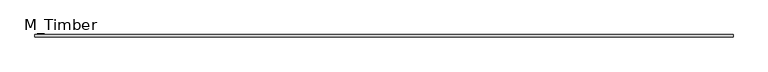
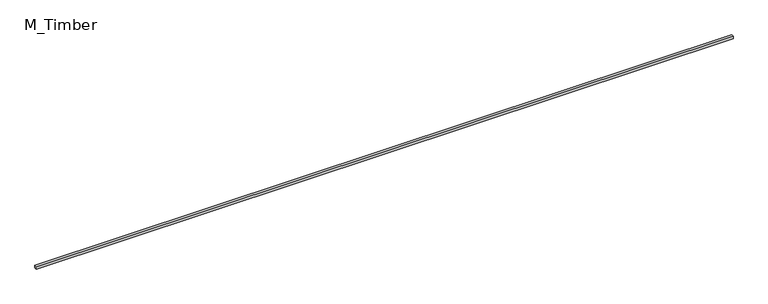
"""IFC4 building model written with IfcOpenShell, lengths in millimetres: beam geometry, M_Timber."""

import ifcopenshell
import ifcopenshell.guid

model = None  # the IFC model being written
_history = None  # IfcOwnerHistory: only IFC2X3 demands one
_inside = {}  # id of a spatial element -> (the spatial element, [elements in it])
_under = {}  # id of a project, library or spatial element -> (it, [spatial elements below it])
_declared = {}  # id of a project -> (the project, [libraries it declares])
_typed = {}  # id of a type object -> (the type object, [elements of that type])
_made_of = {}  # id of a material, layer set ... -> (it, [elements and type objects made of it])


def new_model(schema):
    """Start an empty IFC model of exactly this schema.

    Asked for "IFC4X3", IfcOpenShell would pick the latest addendum, in which some entities
    have other attributes; the version numbers below select the first issue.
    IFC2X3 requires an IfcOwnerHistory on every rooted entity: one is made here for all.
    """
    global model, _history
    if schema == "IFC4X3":
        model = ifcopenshell.file(schema_version=(4, 3, 0, 0))
    else:
        model = ifcopenshell.file(schema=schema)
    _inside.clear()
    _under.clear()
    _declared.clear()
    _typed.clear()
    _made_of.clear()
    _history = None
    if model.schema == "IFC2X3":
        org = make("IfcOrganization", Name="unknown")
        user = make(
            "IfcPersonAndOrganization",
            ThePerson=make("IfcPerson", FamilyName="unknown"),
            TheOrganization=org,
        )
        app = make(
            "IfcApplication",
            ApplicationDeveloper=org,
            Version="unknown",
            ApplicationFullName="unknown",
            ApplicationIdentifier="unknown",
        )
        _history = make(
            "IfcOwnerHistory",
            OwningUser=user,
            OwningApplication=app,
            ChangeAction="ADDED",
            CreationDate=0,
        )
    return model


def make(cls, **values):
    """One entity of the class cls with the attributes given. An attribute that is None is left unset."""
    return model.create_entity(
        cls, **{name: value for name, value in values.items() if value is not None}
    )


def rooted(cls, **values):
    """An entity with a GlobalId (a new one), such as an element, a storey or a relation."""
    return make(cls, GlobalId=ifcopenshell.guid.new(), OwnerHistory=_history, **values)


def si_unit(unit_type, name, prefix=None):
    """IfcSIUnit, for example si_unit("LENGTHUNIT", "METRE", prefix="MILLI")."""
    return make("IfcSIUnit", UnitType=unit_type, Prefix=prefix, Name=name)


def assignment(units):
    """IfcUnitAssignment: the units of a project."""
    return None if units is None else make("IfcUnitAssignment", Units=units)


def point(xyz):
    """IfcCartesianPoint."""
    return None if xyz is None else make("IfcCartesianPoint", Coordinates=xyz)


def direction(xyz):
    """IfcDirection."""
    return None if xyz is None else make("IfcDirection", DirectionRatios=xyz)


def frame(location, z_axis=None, x_axis=None):
    """IfcAxis2Placement3D, a coordinate frame: its origin and axes. An axis left out is left unset."""
    return make(
        "IfcAxis2Placement3D",
        Location=point(location),
        Axis=direction(z_axis),
        RefDirection=direction(x_axis),
    )


def origin():
    """The frame at (0, 0, 0) with its axes left unset."""
    return frame((0.0, 0.0, 0.0))


def place(relative_to, where):
    """IfcLocalPlacement: puts the frame where relative to a parent placement (None: the world)."""
    return make(
        "IfcLocalPlacement", PlacementRelTo=relative_to, RelativePlacement=where
    )


def context(
    kind, dimensions, precision=None, world=None, true_north=None, identifier=None
):
    """IfcGeometricRepresentationContext, for example the 3D "Model" context."""
    return make(
        "IfcGeometricRepresentationContext",
        ContextIdentifier=identifier,
        ContextType=kind,
        CoordinateSpaceDimension=dimensions,
        Precision=precision,
        WorldCoordinateSystem=world,
        TrueNorth=true_north,
    )


def project(units=None, contexts=None):
    """IfcProject with its units and contexts."""
    return rooted(
        "IfcProject",
        Name="project",
        RepresentationContexts=contexts,
        UnitsInContext=assignment(units),
    )


def spatial(cls, under=None, at=None, **own):
    """A site, building, storey or space (cls), placed at a placement, below another one or the project."""
    s = rooted(cls, ObjectPlacement=at, **own)
    if under is not None:
        _under.setdefault(under.id(), (under, []))[1].append(s)
    return s


def polyline(points):
    """IfcPolyline through the points."""
    return make("IfcPolyline", Points=[point(p) for p in points])


def outline(outer, holes=None, kind="AREA"):
    """IfcArbitraryClosedProfileDef: a profile drawn as a closed curve; with holes, ...WithVoids."""
    if holes is None:
        return make("IfcArbitraryClosedProfileDef", ProfileType=kind, OuterCurve=outer)
    return make(
        "IfcArbitraryProfileDefWithVoids",
        ProfileType=kind,
        OuterCurve=outer,
        InnerCurves=holes,
    )


def extrude(swept, where, along, depth):
    """IfcExtrudedAreaSolid: the profile swept, set in the frame where, extruded along a direction by depth."""
    return make(
        "IfcExtrudedAreaSolid",
        SweptArea=swept,
        Position=where,
        ExtrudedDirection=direction(along),
        Depth=depth,
    )


def shape(context_of_items, identifier, shape_type, items):
    """IfcShapeRepresentation: the items that make up one representation, for example the "Body"."""
    return make(
        "IfcShapeRepresentation",
        ContextOfItems=context_of_items,
        RepresentationIdentifier=identifier,
        RepresentationType=shape_type,
        Items=items,
    )


def source(mapping_origin, context_of_items, identifier, shape_type, items):
    """IfcRepresentationMap: a shape defined once, which mapped items show again and again."""
    return make(
        "IfcRepresentationMap",
        MappingOrigin=mapping_origin,
        MappedRepresentation=shape(context_of_items, identifier, shape_type, items),
    )


def transform(
    local_origin,
    x_axis=None,
    y_axis=None,
    z_axis=None,
    scale=None,
    scale2=None,
    scale3=None,
    uniform=True,
):
    """IfcCartesianTransformationOperator3D, or its non-uniform kind. x_axis, y_axis, z_axis: its Axis1, 2, 3."""
    if uniform:
        return make(
            "IfcCartesianTransformationOperator3D",
            Axis1=direction(x_axis),
            Axis2=direction(y_axis),
            LocalOrigin=point(local_origin),
            Scale=scale,
            Axis3=direction(z_axis),
        )
    return make(
        "IfcCartesianTransformationOperator3DnonUniform",
        Axis1=direction(x_axis),
        Axis2=direction(y_axis),
        LocalOrigin=point(local_origin),
        Scale=scale,
        Axis3=direction(z_axis),
        Scale2=scale2,
        Scale3=scale3,
    )


def mapped(mapping_source, mapping_target):
    """IfcMappedItem: shows the shape of a source again, moved by a transform."""
    return make(
        "IfcMappedItem", MappingSource=mapping_source, MappingTarget=mapping_target
    )


def made_of(thing, what):
    """Note that an element or type object is made of a material, layer set ...; save() writes the relation."""
    if what is not None:
        _made_of.setdefault(what.id(), (what, []))[1].append(thing)
    return thing


def element(
    cls,
    number,
    at=None,
    inside=None,
    cuts=None,
    type_object=None,
    material=None,
    context=None,
    identifier="Body",
    shape_type=None,
    held_by="IfcProductDefinitionShape",
    body=None,
    shapes=None,
    **own,
):
    """One element of the class cls, such as IfcWall. Its Tag is "e" and its number.

    at: its placement. inside: the storey or other place that contains it. cuts: it is an
    opening in that element (IfcRelVoidsElement). A single representation is given by context,
    identifier, shape_type and body (its items); several are given by shapes. held_by: the class
    of the entity that holds the representations. save() writes the other relations.
    """
    e = rooted(cls, Tag="e%d" % number, ObjectPlacement=at, **own)
    if body is not None:
        shapes = [shape(context, identifier, shape_type, body)]
    if shapes is not None:
        e.Representation = make(held_by, Representations=shapes)
    if inside is not None:
        _inside.setdefault(inside.id(), (inside, []))[1].append(e)
    if cuts is not None:
        rooted(
            "IfcRelVoidsElement", RelatingBuildingElement=cuts, RelatedOpeningElement=e
        )
    if type_object is not None:
        _typed.setdefault(type_object.id(), (type_object, []))[1].append(e)
    return made_of(e, material)


def aggregate(whole, parts):
    """IfcRelAggregates: a whole, such as a stair, and the parts it consists of."""
    return rooted("IfcRelAggregates", RelatingObject=whole, RelatedObjects=parts)


def save(model, path):
    """Write the relations noted so far, then the file.

    IfcRelAggregates (storeys below a building ...), IfcRelContainedInSpatialStructure (elements
    in a storey), IfcRelDefinesByType, IfcRelAssociatesMaterial and IfcRelDeclares: one each for
    every whole, place, type object, material and project.
    """
    for whole, parts in _under.values():
        aggregate(whole, parts)
    for where, things in _inside.values():
        rooted(
            "IfcRelContainedInSpatialStructure",
            RelatedElements=things,
            RelatingStructure=where,
        )
    for kind, things in _typed.values():
        rooted("IfcRelDefinesByType", RelatedObjects=things, RelatingType=kind)
    for what, things in _made_of.values():
        rooted("IfcRelAssociatesMaterial", RelatedObjects=things, RelatingMaterial=what)
    for by, libraries in _declared.values():
        rooted("IfcRelDeclares", RelatingContext=by, RelatedDefinitions=libraries)
    model.write(path)


def m_timber_a6fd6702(model_context):
    return source(origin(), model_context, "Body", "SweptSolid", [
        extrude(outline(polyline([(5423.1171214, 20.0), (5423.1171214, -20.0), (-5423.1171214, -20.0), (-5423.1171214, 20.0), (5423.1171214, 20.0)])), frame((0.0, 0.0, -20.0), z_axis=(0.0, 0.0, 1.0), x_axis=(1.0, 0.0, 0.0)), (0.0, 0.0, 1.0), 40.0),
    ])


if __name__ == "__main__":
    model = new_model("IFC4")
    model_context = context("Model", 3, world=origin())
    ifc_project = project(units=[si_unit("LENGTHUNIT", "METRE", prefix="MILLI")], contexts=[model_context])
    site = spatial("IfcSite", under=ifc_project)
    building = spatial("IfcBuilding", under=site)
    placement = place(None, origin())
    m_timber_shape = m_timber_a6fd6702(model_context)
    element("IfcBeam", 1, ObjectType="M_Timber", at=placement, inside=building, context=model_context, shape_type="MappedRepresentation", body=[
        mapped(m_timber_shape, transform((0.0, 0.0, 0.0), x_axis=(1.0, 0.0, 0.0), y_axis=(0.0, 1.0, 0.0), z_axis=(0.0, 0.0, 1.0))),
    ])
    save(model, "model.ifc")
